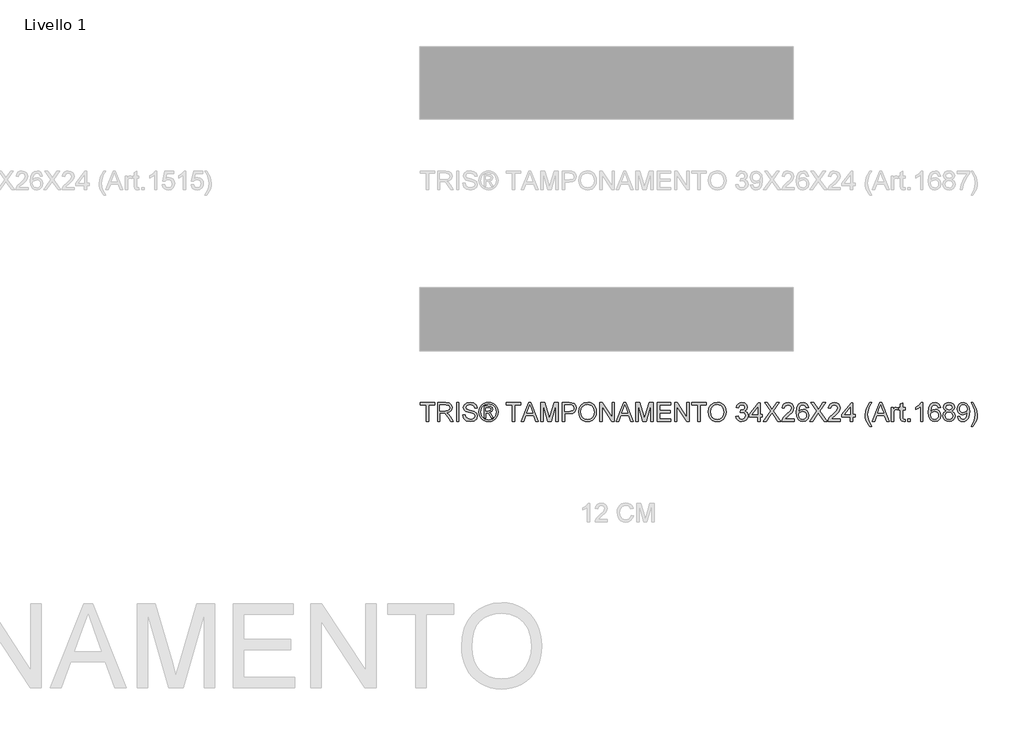
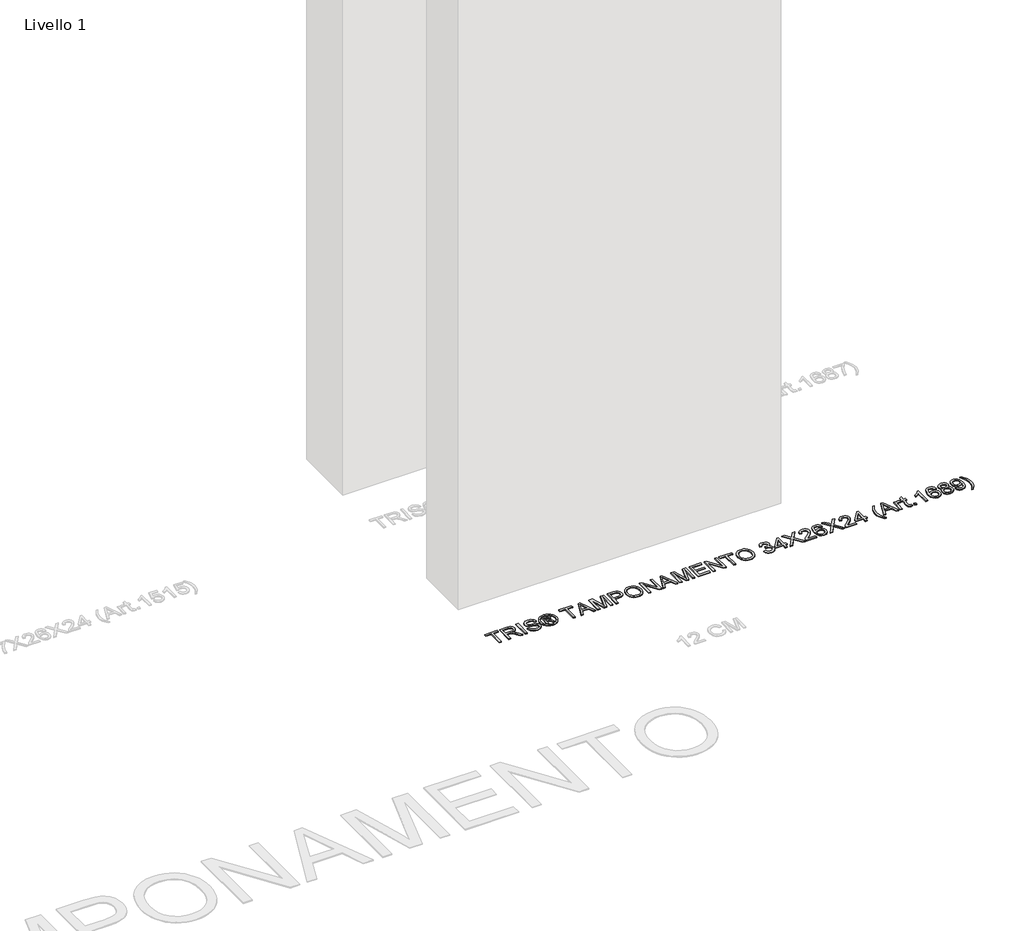
# One storey, part 14 of 16: 1 proxy.
"""IFC4 building model written with IfcOpenShell, lengths in millimetres."""

from ifc_helpers import new_model, si_unit, origin, origin_with_axes, place, context, project, spatial, polyline, outline, extrude, element, save

model = new_model("IFC4")

# Units and contexts
model_context = context("Model", 3, world=origin())
ifc_project = project(units=[si_unit("LENGTHUNIT", "METRE", prefix="MILLI")], contexts=[model_context])

# Site, building, storey
site = spatial("IfcSite", under=ifc_project)
building = spatial("IfcBuilding", under=site)
storey = spatial("IfcBuildingStorey", under=building, Name="Livello 1", Elevation=0.0)

# Proxy
placement = place(None, origin())
element("IfcBuildingElementProxy", 1, Name="100", ObjectType="100", at=placement, inside=storey, context=model_context, shape_type="SweptSolid", body=[
    extrude(outline(polyline([(2625.2646003, 4759.0708569), (2625.2646003, 4846.9701283), (2592.3023735, 4846.9701283), (2592.3023735, 4859.527167), (2670.7838658, 4859.527167), (2670.7838658, 4846.9701283), (2637.8216391, 4846.9701283), (2637.8216391, 4759.0708569), (2625.2646003, 4759.0708569)])), origin_with_axes(), (0.0, 0.0, 1.0), 5.0),
    extrude(outline(polyline([(2684.9105345, 4759.0708569), (2684.9105345, 4859.527167), (2728.1979826, 4859.527167), (2748.2966022, 4856.817103), (2759.2840112, 4847.2276457), (2763.3920268, 4832.0341193), (2761.6905725, 4822.1380936), (2756.5862099, 4813.9343251), (2747.9256546, 4807.9194545), (2735.5556225, 4804.5901224), (2742.6925332, 4799.2190453), (2752.8706017, 4786.2941245), (2769.6214952, 4759.0708569), (2755.0288427, 4759.0708569), (2741.9567692, 4779.8929778), (2732.5144646, 4793.6762899), (2725.880326, 4800.1878012), (2719.9083749, 4802.5790342), (2712.6243114, 4803.0204926), (2697.4675732, 4803.0204926), (2697.4675732, 4759.0708569), (2684.9105345, 4759.0708569)]), holes=[polyline([(2697.4675732, 4815.5775314), (2725.5737577, 4815.5775314), (2739.9088927, 4817.3556277), (2748.0513476, 4823.0455359), (2750.834988, 4831.5681354), (2745.5252245, 4842.6291207), (2728.7375428, 4846.9701283), (2697.4675732, 4846.9701283), (2697.4675732, 4815.5775314)])]), origin_with_axes(), (0.0, 0.0, 1.0), 5.0),
    extrude(outline(polyline([(2786.9364745, 4759.0708569), (2786.9364745, 4859.527167), (2799.4935132, 4859.527167), (2799.4935132, 4759.0708569), (2786.9364745, 4759.0708569)])), origin_with_axes(), (0.0, 0.0, 1.0), 5.0),
    extrude(outline(polyline([(2819.8987012, 4793.6027135), (2832.45574, 4793.6027135), (2836.5024419, 4781.033412), (2846.3862049, 4773.0871609), (2861.4448412, 4770.0582658), (2874.5659657, 4772.3513969), (2883.0395143, 4778.6544418), (2885.8231548, 4787.0789395), (2883.7384901, 4794.914826), (2875.2036278, 4800.6169969), (2856.9198927, 4805.4117256), (2837.2382059, 4811.6044058), (2826.5573653, 4820.9486085), (2823.0379609, 4833.4320709), (2827.3912312, 4847.6445786), (2840.1076855, 4857.6754943), (2858.7225144, 4861.0967969), (2878.5881422, 4857.5160788), (2891.831894, 4846.9946537), (2896.8105637, 4831.2738298), (2884.2535249, 4831.2738298), (2881.9481311, 4838.7663598), (2877.1411397, 4844.1742251), (2859.2130238, 4848.5397581), (2841.2358569, 4844.2232761), (2835.5949997, 4833.7999529), (2839.5926507, 4825.0934123), (2860.0959406, 4818.0791289), (2882.3160131, 4811.7760841), (2894.4683816, 4801.5980155), (2898.3801935, 4787.3977705), (2893.8797705, 4772.3759224), (2880.9303242, 4761.4130389), (2861.9353505, 4757.5012271), (2839.5068116, 4761.7196073), (2825.3188293, 4774.4237988), (2819.8987012, 4793.6027135)])), origin_with_axes(), (0.0, 0.0, 1.0), 5.0),
    extrude(outline(polyline([(2934.48168, 4777.9064151), (2934.48168, 4840.6916089), (2954.7642407, 4840.6916089), (2969.822877, 4838.9625635), (2977.2418306, 4832.9292988), (2980.0009455, 4823.7690371), (2975.2430051, 4811.8496605), (2962.6369154, 4806.1597523), (2967.5420086, 4802.8242889), (2976.1013964, 4790.2917756), (2983.1402052, 4777.9064151), (2972.5452038, 4777.9064151), (2967.0269738, 4787.8637544), (2957.780873, 4802.2847286), (2949.7610455, 4804.5901224), (2943.8994591, 4804.5901224), (2943.8994591, 4777.9064151), (2934.48168, 4777.9064151)]), holes=[polyline([(2943.8994591, 4814.0079015), (2955.8188357, 4814.0079015), (2967.4684322, 4816.3991345), (2970.5831664, 4822.7389675), (2969.087113, 4827.3007043), (2964.9300465, 4830.2928112), (2955.0585463, 4831.2738298), (2943.8994591, 4831.2738298), (2943.8994591, 4814.0079015)])]), origin_with_axes(), (0.0, 0.0, 1.0), 5.0),
    extrude(outline(polyline([(2958.0506531, 4861.0967969), (2970.9449171, 4859.4229338), (2983.5326127, 4854.4013446), (2994.5905323, 4846.2650211), (3002.8954684, 4835.2469554), (3008.0918015, 4822.5243697), (3009.8239126, 4809.2744865), (3008.116327, 4796.1410993), (3002.9935702, 4783.5227468), (2994.7898017, 4772.544535), (2983.839181, 4764.3315694), (2971.2300256, 4759.2088126), (2958.0506531, 4757.5012271), (2944.8896748, 4759.2088126), (2932.2866508, 4764.3315694), (2921.326833, 4772.544535), (2913.0954733, 4783.5227468), (2907.9451254, 4796.1410993), (2906.2283428, 4809.2744865), (2907.9696509, 4822.5243697), (2913.1935752, 4835.2469554), (2921.5261024, 4846.2650211), (2932.5932191, 4854.4013446), (2945.1747833, 4859.4229338), (2958.0506531, 4861.0967969)]), holes=[polyline([(2958.0506531, 4851.6790178), (2937.2285322, 4846.1975761), (2928.2000949, 4839.5358463), (2921.3728182, 4830.5135404), (2915.6461218, 4809.2744865), (2921.2624536, 4788.2193737), (2936.9832776, 4772.5353379), (2958.0506531, 4766.9190061), (2979.1302915, 4772.5353379), (2994.8143272, 4788.2193737), (3000.4061335, 4809.2744865), (2994.7162253, 4830.5135404), (2987.9073427, 4839.5358463), (2978.8605113, 4846.1975761), (2958.0506531, 4851.6790178)])]), origin_with_axes(), (0.0, 0.0, 1.0), 5.0),
    extrude(outline(polyline([(3085.1661452, 4759.0708569), (3085.1661452, 4846.9701283), (3052.2039184, 4846.9701283), (3052.2039184, 4859.527167), (3130.6854107, 4859.527167), (3130.6854107, 4846.9701283), (3097.723184, 4846.9701283), (3097.723184, 4759.0708569), (3085.1661452, 4759.0708569)])), origin_with_axes(), (0.0, 0.0, 1.0), 5.0),
    extrude(outline(polyline([(3133.1134319, 4759.0708569), (3173.2125694, 4859.527167), (3183.9056727, 4859.527167), (3224.0048102, 4759.0708569), (3210.7365329, 4759.0708569), (3199.2340892, 4790.4634538), (3157.8596275, 4790.4634538), (3146.3817092, 4759.0708569), (3133.1134319, 4759.0708569)]), holes=[polyline([(3162.4704151, 4803.0204926), (3194.647827, 4803.0204926), (3185.5979299, 4827.7176372), (3178.5591211, 4846.9701283), (3172.3051271, 4829.8758782), (3162.4704151, 4803.0204926)])]), origin_with_axes(), (0.0, 0.0, 1.0), 5.0),
    extrude(outline(polyline([(3237.4202403, 4759.0708569), (3237.4202403, 4859.527167), (3259.0271761, 4859.527167), (3279.5795169, 4788.7221457), (3283.7243207, 4773.9332895), (3288.2124811, 4789.948419), (3308.4214654, 4859.527167), (3330.0284012, 4859.527167), (3330.0284012, 4759.0708569), (3317.4713624, 4759.0708569), (3317.4713624, 4846.9701283), (3292.2346576, 4759.0708569), (3275.2139839, 4759.0708569), (3249.9772791, 4846.9701283), (3249.9772791, 4759.0708569), (3237.4202403, 4759.0708569)])), origin_with_axes(), (0.0, 0.0, 1.0), 5.0),
    extrude(outline(polyline([(3352.003219, 4759.0708569), (3352.003219, 4859.527167), (3389.232877, 4859.527167), (3404.2424624, 4858.5706739), (3416.4438819, 4853.8740471), (3424.3533448, 4844.1619624), (3427.3454517, 4830.4644894), (3425.3251664, 4818.6248206), (3419.2643105, 4808.7594517), (3407.9304794, 4802.1007876), (3390.0912683, 4799.8812329), (3364.5602578, 4799.8812329), (3364.5602578, 4759.0708569), (3352.003219, 4759.0708569)]), holes=[polyline([(3364.5602578, 4812.4382717), (3390.8270323, 4812.4382717), (3409.3192339, 4817.0490593), (3413.4211181, 4822.5979461), (3414.7884129, 4830.023031), (3411.5633141, 4840.4218288), (3403.0897654, 4846.111737), (3390.5327267, 4846.9701283), (3364.5602578, 4846.9701283), (3364.5602578, 4812.4382717)])]), origin_with_axes(), (0.0, 0.0, 1.0), 5.0),
    extrude(outline(polyline([(3439.9024904, 4807.9746368), (3443.2502166, 4830.1885779), (3453.2933951, 4846.9946537), (3468.6279429, 4857.5712611), (3487.8497771, 4861.0967969), (3501.0260839, 4859.4413279), (3512.8412273, 4854.474921), (3522.6514139, 4846.547064), (3529.81285, 4836.0072448), (3534.1906458, 4823.3643669), (3535.649911, 4809.1273337), (3534.1140037, 4794.7002281), (3529.5062817, 4781.8795406), (3522.0811968, 4771.3213273), (3512.0932006, 4763.6816446), (3500.3792248, 4759.0463314), (3487.7762007, 4757.5012271), (3474.3975588, 4759.2088126), (3462.5149704, 4764.3315694), (3452.7293093, 4772.4065792), (3445.6414496, 4782.9709239), (3439.9024904, 4807.9746368)]), holes=[polyline([(3452.4595292, 4807.8520095), (3454.9703238, 4792.1373169), (3462.5027077, 4780.162758), (3473.8242761, 4772.5843889), (3487.7026243, 4770.0582658), (3501.7833077, 4772.6089143), (3513.1232702, 4780.2608598), (3520.6004718, 4792.6033008), (3523.0928723, 4809.2254356), (3518.8254411, 4829.9494546), (3506.3542415, 4843.6714531), (3487.9233535, 4848.5397581), (3474.4159529, 4846.1945104), (3462.9319033, 4839.1587672), (3455.0776227, 4826.6415824), (3452.4595292, 4807.8520095)])]), origin_with_axes(), (0.0, 0.0, 1.0), 5.0),
    extrude(outline(polyline([(3552.9158393, 4759.0708569), (3552.9158393, 4859.527167), (3566.3557949, 4859.527167), (3618.8402929, 4779.9420288), (3618.8402929, 4859.527167), (3631.3973317, 4859.527167), (3631.3973317, 4759.0708569), (3617.9573761, 4759.0708569), (3565.4728781, 4838.6805207), (3565.4728781, 4759.0708569), (3552.9158393, 4759.0708569)])), origin_with_axes(), (0.0, 0.0, 1.0), 5.0),
    extrude(outline(polyline([(3641.673502, 4759.0708569), (3681.7726395, 4859.527167), (3692.4657429, 4859.527167), (3732.5648803, 4759.0708569), (3719.296603, 4759.0708569), (3707.7941593, 4790.4634538), (3666.4196976, 4790.4634538), (3654.9417793, 4759.0708569), (3641.673502, 4759.0708569)]), holes=[polyline([(3671.0304853, 4803.0204926), (3703.2078971, 4803.0204926), (3694.158, 4827.7176372), (3687.1191912, 4846.9701283), (3680.8651973, 4829.8758782), (3671.0304853, 4803.0204926)])]), origin_with_axes(), (0.0, 0.0, 1.0), 5.0),
    extrude(outline(polyline([(3745.9803104, 4759.0708569), (3745.9803104, 4859.527167), (3767.5872463, 4859.527167), (3788.1395871, 4788.7221457), (3792.2843909, 4773.9332895), (3796.7725512, 4789.948419), (3816.9815355, 4859.527167), (3838.5884713, 4859.527167), (3838.5884713, 4759.0708569), (3826.0314326, 4759.0708569), (3826.0314326, 4846.9701283), (3800.7947277, 4759.0708569), (3783.7740541, 4759.0708569), (3758.5373492, 4846.9701283), (3758.5373492, 4759.0708569), (3745.9803104, 4759.0708569)])), origin_with_axes(), (0.0, 0.0, 1.0), 5.0),
    extrude(outline(polyline([(3860.5632892, 4759.0708569), (3860.5632892, 4859.527167), (3932.7662621, 4859.527167), (3932.7662621, 4846.9701283), (3873.1203279, 4846.9701283), (3873.1203279, 4817.1471612), (3929.6270024, 4817.1471612), (3929.6270024, 4804.5901224), (3873.1203279, 4804.5901224), (3873.1203279, 4771.6278957), (3934.3358919, 4771.6278957), (3934.3358919, 4759.0708569), (3860.5632892, 4759.0708569)])), origin_with_axes(), (0.0, 0.0, 1.0), 5.0),
    extrude(outline(polyline([(3953.1714501, 4759.0708569), (3953.1714501, 4859.527167), (3966.6114057, 4859.527167), (4019.0959036, 4779.9420288), (4019.0959036, 4859.527167), (4031.6529424, 4859.527167), (4031.6529424, 4759.0708569), (4018.2129868, 4759.0708569), (3965.7284889, 4838.6805207), (3965.7284889, 4759.0708569), (3953.1714501, 4759.0708569)])), origin_with_axes(), (0.0, 0.0, 1.0), 5.0),
    extrude(outline(polyline([(4078.7418378, 4759.0708569), (4078.7418378, 4846.9701283), (4045.779611, 4846.9701283), (4045.779611, 4859.527167), (4124.2611033, 4859.527167), (4124.2611033, 4846.9701283), (4091.2988766, 4846.9701283), (4091.2988766, 4759.0708569), (4078.7418378, 4759.0708569)])), origin_with_axes(), (0.0, 0.0, 1.0), 5.0),
    extrude(outline(polyline([(4133.6788824, 4807.9746368), (4137.0266086, 4830.1885779), (4147.069787, 4846.9946537), (4162.4043349, 4857.5712611), (4181.6261691, 4861.0967969), (4194.8024759, 4859.4413279), (4206.6176193, 4854.474921), (4216.4278058, 4846.547064), (4223.589242, 4836.0072448), (4227.9670378, 4823.3643669), (4229.426303, 4809.1273337), (4227.8903957, 4794.7002281), (4223.2826737, 4781.8795406), (4215.8575888, 4771.3213273), (4205.8695926, 4763.6816446), (4194.1556167, 4759.0463314), (4181.5525927, 4757.5012271), (4168.1739508, 4759.2088126), (4156.2913624, 4764.3315694), (4146.5057013, 4772.4065792), (4139.4178415, 4782.9709239), (4133.6788824, 4807.9746368)]), holes=[polyline([(4146.2359212, 4807.8520095), (4148.7467158, 4792.1373169), (4156.2790996, 4780.162758), (4167.600668, 4772.5843889), (4181.4790163, 4770.0582658), (4195.5596997, 4772.6089143), (4206.8996622, 4780.2608598), (4214.3768637, 4792.6033008), (4216.8692642, 4809.2254356), (4212.6018331, 4829.9494546), (4200.1306335, 4843.6714531), (4181.6997455, 4848.5397581), (4168.1923449, 4846.1945104), (4156.7082953, 4839.1587672), (4148.8540147, 4826.6415824), (4146.2359212, 4807.8520095)])]), origin_with_axes(), (0.0, 0.0, 1.0), 5.0),
    extrude(outline(polyline([(4281.2240879, 4785.7545643), (4293.7811267, 4787.3241941), (4300.7095709, 4774.1049678), (4313.6712799, 4770.0582658), (4322.2797186, 4771.450086), (4328.92612, 4775.6255467), (4334.5915027, 4789.4088588), (4328.9751709, 4802.3950932), (4314.7013495, 4807.5331784), (4305.8967071, 4806.1597523), (4307.2946587, 4818.7167911), (4309.3057469, 4818.5696383), (4323.5550428, 4822.1748818), (4328.3007206, 4826.7488813), (4329.8826132, 4833.2603926), (4325.296351, 4843.0828419), (4313.4750762, 4846.9701283), (4301.5066486, 4843.0460537), (4295.3507565, 4831.2738298), (4282.7937178, 4832.8434597), (4286.4909318, 4844.1190428), (4293.0698882, 4852.5374091), (4302.0707343, 4857.7797276), (4313.0336178, 4859.527167), (4328.1780932, 4856.081339), (4338.7730947, 4846.66356), (4342.4396519, 4833.9961566), (4338.9570357, 4822.4201365), (4328.6563398, 4814.1060034), (4342.3415501, 4805.5220902), (4347.1485415, 4789.1881296), (4344.7450458, 4776.9499219), (4337.5345587, 4766.7228024), (4326.651383, 4759.8066209), (4313.2298215, 4757.5012271), (4301.0897157, 4759.4693957), (4291.2059527, 4765.3739018), (4284.3326908, 4774.4054047), (4281.2240879, 4785.7545643)])), origin_with_axes(), (0.0, 0.0, 1.0), 5.0),
    extrude(outline(polyline([(4398.9463264, 4759.0708569), (4398.9463264, 4782.6153046), (4353.4270609, 4782.6153046), (4353.4270609, 4795.1723434), (4402.0855861, 4857.9575372), (4411.5033652, 4857.9575372), (4411.5033652, 4795.1723434), (4424.0604039, 4795.1723434), (4424.0604039, 4782.6153046), (4411.5033652, 4782.6153046), (4411.5033652, 4759.0708569), (4398.9463264, 4759.0708569)]), holes=[polyline([(4398.9463264, 4795.1723434), (4398.9463264, 4833.9716311), (4368.8781046, 4795.1723434), (4398.9463264, 4795.1723434)])]), origin_with_axes(), (0.0, 0.0, 1.0), 5.0),
    extrude(outline(polyline([(4428.7692935, 4759.0708569), (4467.4950048, 4813.8116978), (4435.0478128, 4859.527167), (4450.1064492, 4859.527167), (4468.3779216, 4833.7999529), (4474.5338137, 4823.7690371), (4481.7443008, 4833.9716311), (4499.8195695, 4859.527167), (4515.098935, 4859.527167), (4482.651743, 4813.664545), (4521.3774544, 4759.0708569), (4506.318818, 4759.0708569), (4480.5180275, 4795.466649), (4475.1469503, 4803.0204926), (4469.2363129, 4794.730885), (4444.048659, 4759.0708569), (4428.7692935, 4759.0708569)])), origin_with_axes(), (0.0, 0.0, 1.0), 5.0),
    extrude(outline(polyline([(4593.5804273, 4771.6278957), (4593.5804273, 4759.0708569), (4527.6559738, 4759.0708569), (4529.0048744, 4767.7283465), (4536.6322944, 4781.0579375), (4552.3531184, 4795.6138018), (4574.0336306, 4816.5340245), (4579.4537587, 4830.758795), (4574.340199, 4842.2735015), (4560.9860825, 4846.9701283), (4547.0678804, 4842.3838661), (4541.7826424, 4829.7042), (4529.2256036, 4831.2738298), (4532.2698271, 4843.420067), (4538.8518492, 4852.2921545), (4548.6283132, 4857.7184139), (4561.2558627, 4859.527167), (4573.9753826, 4857.5160788), (4583.7334526, 4851.4828141), (4589.9414612, 4842.4697052), (4592.0107975, 4831.5190845), (4589.77898, 4819.6119706), (4582.3600264, 4807.3001865), (4564.3705969, 4790.0955718), (4549.9250972, 4778.0167797), (4544.2597145, 4771.6278957), (4593.5804273, 4771.6278957)])), origin_with_axes(), (0.0, 0.0, 1.0), 5.0),
    extrude(outline(polyline([(4670.4922898, 4832.8434597), (4657.935251, 4831.2738298), (4653.1773105, 4841.7462039), (4640.5957463, 4846.9701283), (4629.2649808, 4843.9289705), (4620.6933303, 4832.5123659), (4617.124875, 4810.1328778), (4628.198123, 4820.1515308), (4641.9201215, 4823.4256806), (4653.5206671, 4821.1877318), (4663.2572772, 4814.4738854), (4669.860759, 4804.2161091), (4672.0619196, 4791.3463706), (4667.9171158, 4774.0191286), (4656.5127739, 4761.7563955), (4640.056186, 4757.5012271), (4625.8099558, 4760.3216557), (4614.4638619, 4768.7829416), (4607.0418426, 4783.7189506), (4604.5678362, 4805.9635486), (4607.3146885, 4830.9733929), (4615.5552451, 4848.0737743), (4626.8063028, 4856.6638189), (4641.3805612, 4859.527167), (4652.398627, 4857.7552021), (4661.2216635, 4852.4393073), (4667.402081, 4843.9964155), (4670.4922898, 4832.8434597)]), holes=[polyline([(4617.124875, 4791.5425743), (4620.0311428, 4780.66553), (4627.7566647, 4772.7683299), (4639.0751674, 4770.0582658), (4647.3617093, 4771.4623488), (4653.8762863, 4775.6745976), (4658.0977322, 4782.2964735), (4659.5048808, 4790.9294377), (4658.1161263, 4799.2159796), (4653.9498627, 4805.5343529), (4647.3249211, 4809.5350696), (4638.5601326, 4810.8686418), (4623.3666062, 4805.5343529), (4618.6853078, 4799.3692638), (4617.124875, 4791.5425743)])]), origin_with_axes(), (0.0, 0.0, 1.0), 5.0),
    extrude(outline(polyline([(4676.7708091, 4759.0708569), (4715.4965205, 4813.8116978), (4683.0493285, 4859.527167), (4698.1079649, 4859.527167), (4716.3794373, 4833.7999529), (4722.5353293, 4823.7690371), (4729.7458165, 4833.9716311), (4747.8210851, 4859.527167), (4763.1004507, 4859.527167), (4730.6532587, 4813.664545), (4769.3789701, 4759.0708569), (4754.3203337, 4759.0708569), (4728.5195431, 4795.466649), (4723.148466, 4803.0204926), (4717.2378286, 4794.730885), (4692.0501747, 4759.0708569), (4676.7708091, 4759.0708569)])), origin_with_axes(), (0.0, 0.0, 1.0), 5.0),
    extrude(outline(polyline([(4841.581943, 4771.6278957), (4841.581943, 4759.0708569), (4775.6574894, 4759.0708569), (4777.0063901, 4767.7283465), (4784.6338101, 4781.0579375), (4800.3546341, 4795.6138018), (4822.0351463, 4816.5340245), (4827.4552744, 4830.758795), (4822.3417146, 4842.2735015), (4808.9875982, 4846.9701283), (4795.0693961, 4842.3838661), (4789.7841581, 4829.7042), (4777.2271193, 4831.2738298), (4780.2713428, 4843.420067), (4786.8533648, 4852.2921545), (4796.6298289, 4857.7184139), (4809.2573783, 4859.527167), (4821.9768983, 4857.5160788), (4831.7349682, 4851.4828141), (4837.9429769, 4842.4697052), (4840.0123131, 4831.5190845), (4837.7804957, 4819.6119706), (4830.3615421, 4807.3001865), (4812.3721126, 4790.0955718), (4797.9266129, 4778.0167797), (4792.2612302, 4771.6278957), (4841.581943, 4771.6278957)])), origin_with_axes(), (0.0, 0.0, 1.0), 5.0),
    extrude(outline(polyline([(4894.9493578, 4759.0708569), (4894.9493578, 4782.6153046), (4849.4300922, 4782.6153046), (4849.4300922, 4795.1723434), (4898.0886174, 4857.9575372), (4907.5063965, 4857.9575372), (4907.5063965, 4795.1723434), (4920.0634353, 4795.1723434), (4920.0634353, 4782.6153046), (4907.5063965, 4782.6153046), (4907.5063965, 4759.0708569), (4894.9493578, 4759.0708569)]), holes=[polyline([(4894.9493578, 4795.1723434), (4894.9493578, 4833.9716311), (4864.881136, 4795.1723434), (4894.9493578, 4795.1723434)])]), origin_with_axes(), (0.0, 0.0, 1.0), 5.0),
    extrude(outline(polyline([(4998.5449276, 4730.8175197), (4980.7149136, 4760.2726048), (4975.2518659, 4777.4526939), (4973.4308501, 4795.2459198), (4978.8755036, 4825.7801254), (4998.5449276, 4859.527167), (5007.9627067, 4859.527167), (4996.2150083, 4839.6370138), (4989.151674, 4820.3599973), (4985.9878888, 4795.1723434), (4991.4815933, 4762.9826688), (5007.9627067, 4730.8175197), (4998.5449276, 4730.8175197)])), origin_with_axes(), (0.0, 0.0, 1.0), 5.0),
    extrude(outline(polyline([(5010.3907278, 4759.0708569), (5050.4898653, 4859.527167), (5061.1829686, 4859.527167), (5101.2821061, 4759.0708569), (5088.0138288, 4759.0708569), (5076.5113851, 4790.4634538), (5035.1369234, 4790.4634538), (5023.6590051, 4759.0708569), (5010.3907278, 4759.0708569)]), holes=[polyline([(5039.7477111, 4803.0204926), (5071.9251229, 4803.0204926), (5062.8752258, 4827.7176372), (5055.836417, 4846.9701283), (5049.5824231, 4829.8758782), (5039.7477111, 4803.0204926)])]), origin_with_axes(), (0.0, 0.0, 1.0), 5.0),
    extrude(outline(polyline([(5113.1279064, 4759.0708569), (5113.1279064, 4832.8434597), (5124.1153153, 4832.8434597), (5124.1153153, 4821.9296271), (5131.9144136, 4831.9850683), (5139.7625628, 4834.4130895), (5152.3686525, 4830.5380658), (5148.1747978, 4819.2808768), (5139.3456299, 4821.8560507), (5132.2455074, 4819.3789786), (5127.7205588, 4812.5118481), (5125.6849451, 4797.8456192), (5125.6849451, 4759.0708569), (5113.1279064, 4759.0708569)])), origin_with_axes(), (0.0, 0.0, 1.0), 5.0),
    extrude(outline(polyline([(5186.9005091, 4769.543231), (5188.470139, 4758.7029749), (5179.0768854, 4757.5012271), (5168.5554603, 4759.5858917), (5163.3070105, 4765.0550707), (5161.7864316, 4779.3043666), (5161.7864316, 4820.2864209), (5152.3686525, 4820.2864209), (5152.3686525, 4832.8434597), (5161.7864316, 4832.8434597), (5161.7864316, 4850.7715756), (5174.3434704, 4858.1537409), (5174.3434704, 4832.8434597), (5186.9005091, 4832.8434597), (5186.9005091, 4820.2864209), (5174.3434704, 4820.2864209), (5174.3434704, 4779.6722486), (5175.0056579, 4773.1975255), (5177.1516363, 4770.9043944), (5181.4313301, 4770.0582658), (5186.9005091, 4769.543231)])), origin_with_axes(), (0.0, 0.0, 1.0), 5.0),
    extrude(outline(polyline([(5202.5968076, 4759.0708569), (5202.5968076, 4771.6278957), (5215.1538464, 4771.6278957), (5215.1538464, 4759.0708569), (5202.5968076, 4759.0708569)])), origin_with_axes(), (0.0, 0.0, 1.0), 5.0),
    extrude(outline(polyline([(5282.6479297, 4759.0708569), (5270.090891, 4759.0708569), (5270.090891, 4837.3561455), (5258.1960398, 4828.8825969), (5244.9768134, 4822.5427638), (5244.9768134, 4834.4130895), (5263.3831759, 4846.1607879), (5274.5545258, 4859.527167), (5282.6479297, 4859.527167), (5282.6479297, 4759.0708569)])), origin_with_axes(), (0.0, 0.0, 1.0), 5.0),
    extrude(outline(polyline([(5376.8257205, 4832.8434597), (5364.2686817, 4831.2738298), (5359.5107413, 4841.7462039), (5346.929177, 4846.9701283), (5335.5984116, 4843.9289705), (5327.0267611, 4832.5123659), (5323.4583057, 4810.1328778), (5334.5315538, 4820.1515308), (5348.2535522, 4823.4256806), (5359.8540978, 4821.1877318), (5369.5907079, 4814.4738854), (5376.1941897, 4804.2161091), (5378.3953503, 4791.3463706), (5374.2505465, 4774.0191286), (5362.8462047, 4761.7563955), (5346.3896168, 4757.5012271), (5332.1433865, 4760.3216557), (5320.7972926, 4768.7829416), (5313.3752734, 4783.7189506), (5310.901267, 4805.9635486), (5313.6481192, 4830.9733929), (5321.8886759, 4848.0737743), (5333.1397336, 4856.6638189), (5347.7139919, 4859.527167), (5358.7320577, 4857.7552021), (5367.5550942, 4852.4393073), (5373.7355117, 4843.9964155), (5376.8257205, 4832.8434597)]), holes=[polyline([(5323.4583057, 4791.5425743), (5326.3645735, 4780.66553), (5334.0900954, 4772.7683299), (5345.4085981, 4770.0582658), (5353.6951401, 4771.4623488), (5360.2097171, 4775.6745976), (5364.4311629, 4782.2964735), (5365.8383116, 4790.9294377), (5364.449557, 4799.2159796), (5360.2832935, 4805.5343529), (5353.6583519, 4809.5350696), (5344.8935633, 4810.8686418), (5329.7000369, 4805.5343529), (5325.0187385, 4799.3692638), (5323.4583057, 4791.5425743)])]), origin_with_axes(), (0.0, 0.0, 1.0), 5.0),
    extrude(outline(polyline([(5407.6787572, 4814.400309), (5396.2376271, 4822.1994073), (5392.522019, 4834.3395131), (5394.5453699, 4844.155831), (5400.6154229, 4852.267629), (5410.051596, 4857.7122825), (5422.1733078, 4859.527167), (5434.3685959, 4857.669363), (5443.9273964, 4852.0959507), (5450.1078139, 4843.8553941), (5452.1679531, 4833.9961566), (5448.5013959, 4822.1626191), (5437.3790969, 4814.400309), (5450.7332133, 4804.5533342), (5455.3072128, 4788.3052128), (5453.0386072, 4776.299997), (5446.2327903, 4766.3794459), (5435.7236279, 4759.7207818), (5422.344986, 4757.5012271), (5408.9663441, 4759.7299788), (5398.4571818, 4766.4162341), (5391.6513649, 4776.4318214), (5389.3827593, 4788.6485693), (5394.1406997, 4805.2768355), (5407.6787572, 4814.400309)]), holes=[polyline([(5401.939798, 4789.0900277), (5404.0367254, 4779.6354604), (5411.455679, 4772.5598634), (5422.4430879, 4770.0582658), (5430.9902129, 4771.373444), (5437.4036224, 4775.3189784), (5442.750174, 4788.6976202), (5437.2319441, 4802.3337795), (5430.6713819, 4806.3804815), (5422.026155, 4807.7293821), (5413.5985916, 4806.3988756), (5407.2495615, 4802.4073559), (5401.939798, 4789.0900277)]), polyline([(5405.0790577, 4833.9716311), (5409.5304299, 4824.1123936), (5422.4921388, 4820.2864209), (5435.1963304, 4824.0878682), (5439.6109143, 4833.4075454), (5435.0491776, 4843.0583164), (5422.344986, 4846.9701283), (5409.6040063, 4843.1441555), (5405.0790577, 4833.9716311)])]), origin_with_axes(), (0.0, 0.0, 1.0), 5.0),
    extrude(outline(polyline([(5467.8642516, 4784.1849344), (5480.4212903, 4785.7545643), (5486.0621476, 4773.773874), (5496.7552509, 4770.0582658), (5506.9210567, 4772.4494988), (5513.8127128, 4778.8383828), (5517.9207284, 4789.7522153), (5519.7356129, 4804.3203423), (5519.6620365, 4806.7728889), (5509.618858, 4797.257008), (5495.8478087, 4793.6027135), (5484.3974816, 4795.834531), (5474.8662722, 4802.5299833), (5468.4375343, 4812.8735987), (5466.2946217, 4826.0499055), (5468.5417676, 4839.6615393), (5475.2832051, 4850.3301172), (5485.4091571, 4857.2279046), (5497.809846, 4859.527167), (5515.7011737, 4854.2787173), (5528.0129578, 4839.3181828), (5532.2190753, 4811.2119983), (5528.0252205, 4780.7145809), (5522.8104932, 4770.7235191), (5515.5540209, 4763.4363899), (5506.5685031, 4758.9850178), (5496.1666397, 4757.5012271), (5485.4306168, 4759.2517322), (5476.8650977, 4764.5032477), (5470.8747526, 4772.9246797), (5467.8642516, 4784.1849344)]), holes=[polyline([(5519.6620365, 4826.3442111), (5518.3070045, 4834.8545479), (5514.2419084, 4841.4028474), (5507.9327322, 4845.5783081), (5499.8454597, 4846.9701283), (5491.4577502, 4845.4710092), (5484.7377724, 4840.9736518), (5480.3231885, 4834.0911928), (5478.8516605, 4825.4367688), (5480.2434807, 4817.6775244), (5484.4189414, 4811.5185667), (5490.9733722, 4807.4994559), (5499.5021032, 4806.1597523), (5513.984391, 4811.5185667), (5518.2426251, 4817.904385), (5519.6620365, 4826.3442111)])]), origin_with_axes(), (0.0, 0.0, 1.0), 5.0),
    extrude(outline(polyline([(5549.4850036, 4730.8175197), (5540.0672245, 4730.8175197), (5556.5483379, 4762.9826688), (5562.0420423, 4795.1723434), (5558.8782572, 4820.1392681), (5551.8884993, 4839.4408101), (5540.0672245, 4859.527167), (5549.4850036, 4859.527167), (5569.1544276, 4825.7801254), (5574.5990811, 4795.2459198), (5572.7688682, 4777.4526939), (5567.2782294, 4760.2726048), (5549.4850036, 4730.8175197)])), origin_with_axes(), (0.0, 0.0, 1.0), 5.0),
])

save(model, "model.ifc")
